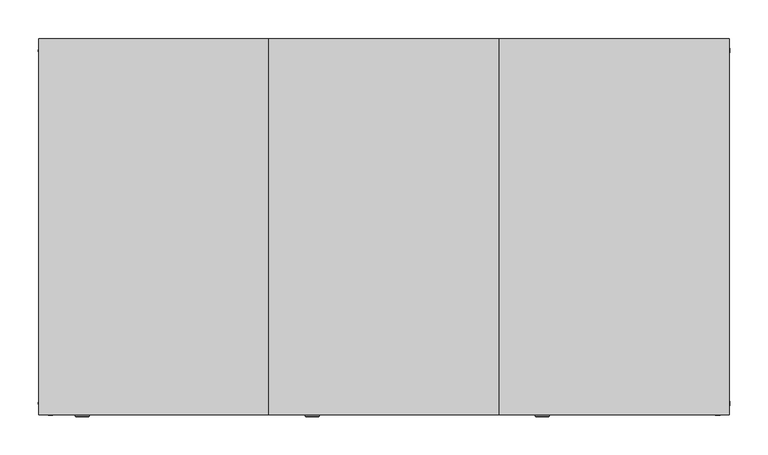
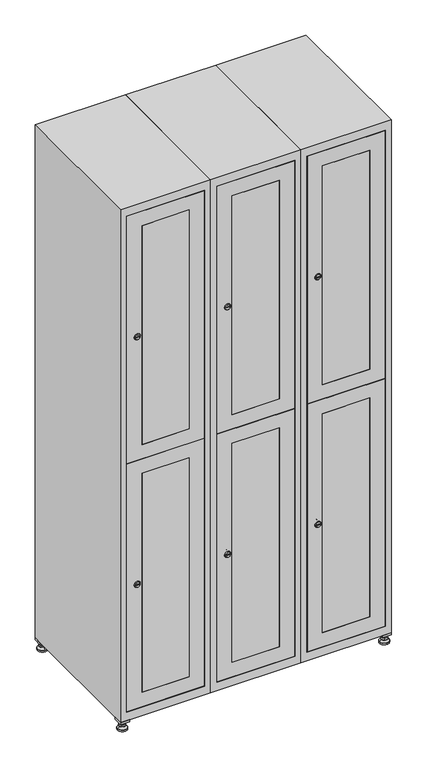
"""IFC4 building model written with IfcOpenShell, lengths in millimetres: furniture geometry."""

from ifc_helpers import new_model, si_unit, point, frame, frame_2d, origin, origin_with_axes, place, context, project, spatial, polyline, circle_curve, trimmed, segment, composite_curve, outline, extrude, faceted_brep, source, transform, mapped, element, save
from ifc_brep_helpers import plane_surface, revolved_surface, advanced_brep


def furniture_f250958e(model_context):
    return source(origin(), model_context, "Body", "SolidModel", [
        extrude(outline(polyline([(700.0, 245.0), (700.0, 215.0), (670.0, 215.0), (670.0, 245.0), (700.0, 245.0)]), holes=[polyline([(698.0, 243.0), (672.0, 243.0), (672.0, 217.0), (698.0, 217.0), (698.0, 243.0)])]), frame((0.0, 0.0, 28.5), z_axis=(0.0, 0.0, 1.0), x_axis=(1.0, 0.0, 0.0)), (0.0, 0.0, 1.0), 6.5),
        extrude(outline(polyline([(670.0, -245.0), (670.0, -215.0), (700.0, -215.0), (700.0, -245.0), (670.0, -245.0)]), holes=[polyline([(672.0, -243.0), (698.0, -243.0), (698.0, -217.0), (672.0, -217.0), (672.0, -243.0)])]), frame((0.0, 0.0, 28.5), z_axis=(0.0, 0.0, 1.0), x_axis=(1.0, 0.0, 0.0)), (0.0, 0.0, 1.0), 6.5),
        extrude(outline(polyline([(-170.0, 245.0), (-170.0, 215.0), (-200.0, 215.0), (-200.0, 245.0), (-170.0, 245.0)]), holes=[polyline([(-172.0, 243.0), (-198.0, 243.0), (-198.0, 217.0), (-172.0, 217.0), (-172.0, 243.0)])]), frame((0.0, 0.0, 28.5), z_axis=(0.0, 0.0, 1.0), x_axis=(1.0, 0.0, 0.0)), (0.0, 0.0, 1.0), 6.5),
        extrude(outline(polyline([(-170.0, -215.0), (-170.0, -245.0), (-200.0, -245.0), (-200.0, -215.0), (-170.0, -215.0)]), holes=[polyline([(-198.0, -243.0), (-172.0, -243.0), (-172.0, -217.0), (-198.0, -217.0), (-198.0, -243.0)])]), frame((0.0, 0.0, 28.5), z_axis=(0.0, 0.0, 1.0), x_axis=(1.0, 0.0, 0.0)), (0.0, 0.0, 1.0), 6.5),
        extrude(outline(composite_curve([segment(trimmed(circle_curve(frame_2d((-185.0, 230.0)), 5.0), [point((-180.0, 230.0))], [point((-190.0, 230.0))], False, "CARTESIAN"), True, "CONTINUOUS"), segment(trimmed(circle_curve(frame_2d((-185.0, 230.0)), 5.0), [point((-190.0, 230.0))], [point((-180.0, 230.0))], False, "CARTESIAN"), True, "CONTINUOUS")], self_intersect=False)), frame((0.0, 0.0, 19.6), z_axis=(0.0, 0.0, 1.0), x_axis=(1.0, 0.0, 0.0)), (0.0, 0.0, 1.0), 15.4),
        extrude(outline(composite_curve([segment(trimmed(circle_curve(frame_2d((-185.0, -230.0)), 5.0), [point((-180.0, -230.0))], [point((-190.0, -230.0))], False, "CARTESIAN"), True, "CONTINUOUS"), segment(trimmed(circle_curve(frame_2d((-185.0, -230.0)), 5.0), [point((-190.0, -230.0))], [point((-180.0, -230.0))], False, "CARTESIAN"), True, "CONTINUOUS")], self_intersect=False)), frame((0.0, 0.0, 19.6), z_axis=(0.0, 0.0, 1.0), x_axis=(1.0, 0.0, 0.0)), (0.0, 0.0, 1.0), 15.4),
        extrude(outline(composite_curve([segment(trimmed(circle_curve(frame_2d((685.0, 230.0)), 5.0), [point((690.0, 230.0))], [point((680.0, 230.0))], False, "CARTESIAN"), True, "CONTINUOUS"), segment(trimmed(circle_curve(frame_2d((685.0, 230.0)), 5.0), [point((680.0, 230.0))], [point((690.0, 230.0))], False, "CARTESIAN"), True, "CONTINUOUS")], self_intersect=False)), frame((0.0, 0.0, 19.6), z_axis=(0.0, 0.0, 1.0), x_axis=(1.0, 0.0, 0.0)), (0.0, 0.0, 1.0), 15.4),
        extrude(outline(polyline([(673.4529946, 230.0), (679.2264973, 240.0), (690.7735027, 240.0), (696.5470054, 230.0), (690.7735027, 220.0), (679.2264973, 220.0), (673.4529946, 230.0)])), frame((0.0, 0.0, 13.6), z_axis=(0.0, 0.0, 1.0), x_axis=(1.0, 0.0, 0.0)), (0.0, 0.0, 1.0), 6.0),
        extrude(outline(composite_curve([segment(trimmed(circle_curve(frame_2d((685.0, -230.0)), 5.0), [point((690.0, -230.0))], [point((680.0, -230.0))], False, "CARTESIAN"), True, "CONTINUOUS"), segment(trimmed(circle_curve(frame_2d((685.0, -230.0)), 5.0), [point((680.0, -230.0))], [point((690.0, -230.0))], False, "CARTESIAN"), True, "CONTINUOUS")], self_intersect=False)), frame((0.0, 0.0, 19.6), z_axis=(0.0, 0.0, 1.0), x_axis=(1.0, 0.0, 0.0)), (0.0, 0.0, 1.0), 15.4),
        extrude(outline(polyline([(673.4529946, -230.0), (679.2264973, -220.0), (690.7735027, -220.0), (696.5470054, -230.0), (690.7735027, -240.0), (679.2264973, -240.0), (673.4529946, -230.0)])), frame((0.0, 0.0, 13.6), z_axis=(0.0, 0.0, 1.0), x_axis=(1.0, 0.0, 0.0)), (0.0, 0.0, 1.0), 6.0),
        extrude(outline(composite_curve([segment(trimmed(circle_curve(frame_2d((685.0, 230.0)), 5.0), [point((690.0, 230.0))], [point((680.0, 230.0))], False, "CARTESIAN"), True, "CONTINUOUS"), segment(trimmed(circle_curve(frame_2d((685.0, 230.0)), 5.0), [point((680.0, 230.0))], [point((690.0, 230.0))], False, "CARTESIAN"), True, "CONTINUOUS")], self_intersect=False)), frame((0.0, 0.0, 12.1), z_axis=(0.0, 0.0, 1.0), x_axis=(1.0, 0.0, 0.0)), (0.0, 0.0, 1.0), 1.5),
        extrude(outline(composite_curve([segment(trimmed(circle_curve(frame_2d((685.0, -230.0)), 5.0), [point((690.0, -230.0))], [point((680.0, -230.0))], False, "CARTESIAN"), True, "CONTINUOUS"), segment(trimmed(circle_curve(frame_2d((685.0, -230.0)), 5.0), [point((680.0, -230.0))], [point((690.0, -230.0))], False, "CARTESIAN"), True, "CONTINUOUS")], self_intersect=False)), frame((0.0, 0.0, 12.1), z_axis=(0.0, 0.0, 1.0), x_axis=(1.0, 0.0, 0.0)), (0.0, 0.0, 1.0), 1.5),
        extrude(outline(polyline([(-196.5470054, 230.0), (-190.7735027, 240.0), (-179.2264973, 240.0), (-173.4529946, 230.0), (-179.2264973, 220.0), (-190.7735027, 220.0), (-196.5470054, 230.0)])), frame((0.0, 0.0, 13.6), z_axis=(0.0, 0.0, 1.0), x_axis=(1.0, 0.0, 0.0)), (0.0, 0.0, 1.0), 6.0),
        extrude(outline(polyline([(-196.5470054, -230.0), (-190.7735027, -220.0), (-179.2264973, -220.0), (-173.4529946, -230.0), (-179.2264973, -240.0), (-190.7735027, -240.0), (-196.5470054, -230.0)])), frame((0.0, 0.0, 13.6), z_axis=(0.0, 0.0, 1.0), x_axis=(1.0, 0.0, 0.0)), (0.0, 0.0, 1.0), 6.0),
        extrude(outline(composite_curve([segment(trimmed(circle_curve(frame_2d((-185.0, 230.0)), 5.0), [point((-185.0, 235.0))], [point((-185.0, 225.0))], False, "CARTESIAN"), True, "CONTINUOUS"), segment(trimmed(circle_curve(frame_2d((-185.0, 230.0)), 5.0), [point((-185.0, 225.0))], [point((-185.0, 235.0))], False, "CARTESIAN"), True, "CONTINUOUS")], self_intersect=False)), frame((0.0, 0.0, 12.1), z_axis=(0.0, 0.0, 1.0), x_axis=(1.0, 0.0, 0.0)), (0.0, 0.0, 1.0), 1.5),
        extrude(outline(composite_curve([segment(trimmed(circle_curve(frame_2d((-185.0, -230.0)), 5.0), [point((-180.0, -230.0))], [point((-190.0, -230.0))], False, "CARTESIAN"), True, "CONTINUOUS"), segment(trimmed(circle_curve(frame_2d((-185.0, -230.0)), 5.0), [point((-190.0, -230.0))], [point((-180.0, -230.0))], False, "CARTESIAN"), True, "CONTINUOUS")], self_intersect=False)), frame((0.0, 0.0, 12.1), z_axis=(0.0, 0.0, 1.0), x_axis=(1.0, 0.0, 0.0)), (0.0, 0.0, 1.0), 1.5),
        extrude(outline(composite_curve([segment(trimmed(circle_curve(frame_2d((685.0, 230.0)), 15.75), [point((700.75, 230.0))], [point((669.25, 230.0))], False, "CARTESIAN"), True, "CONTINUOUS"), segment(trimmed(circle_curve(frame_2d((685.0, 230.0)), 15.75), [point((669.25, 230.0))], [point((700.75, 230.0))], False, "CARTESIAN"), True, "CONTINUOUS")], self_intersect=False)), origin_with_axes(), (0.0, 0.0, 1.0), 5.1),
        extrude(outline(composite_curve([segment(trimmed(circle_curve(frame_2d((685.0, -230.0)), 15.75), [point((685.0, -214.25))], [point((685.0, -245.75))], False, "CARTESIAN"), True, "CONTINUOUS"), segment(trimmed(circle_curve(frame_2d((685.0, -230.0)), 15.75), [point((685.0, -245.75))], [point((685.0, -214.25))], False, "CARTESIAN"), True, "CONTINUOUS")], self_intersect=False)), origin_with_axes(), (0.0, 0.0, 1.0), 5.1),
        extrude(outline(composite_curve([segment(trimmed(circle_curve(frame_2d((-185.0, -230.0)), 15.75), [point((-169.25, -230.0))], [point((-200.75, -230.0))], False, "CARTESIAN"), True, "CONTINUOUS"), segment(trimmed(circle_curve(frame_2d((-185.0, -230.0)), 15.75), [point((-200.75, -230.0))], [point((-169.25, -230.0))], False, "CARTESIAN"), True, "CONTINUOUS")], self_intersect=False)), origin_with_axes(), (0.0, 0.0, 1.0), 5.1),
        extrude(outline(composite_curve([segment(trimmed(circle_curve(frame_2d((-185.0, 230.0)), 15.75), [point((-169.25, 230.0))], [point((-200.75, 230.0))], False, "CARTESIAN"), True, "CONTINUOUS"), segment(trimmed(circle_curve(frame_2d((-185.0, 230.0)), 15.75), [point((-200.75, 230.0))], [point((-169.25, 230.0))], False, "CARTESIAN"), True, "CONTINUOUS")], self_intersect=False)), origin_with_axes(), (0.0, 0.0, 1.0), 5.1),
        advanced_brep(
        [(-185.0, 245.75, 5.1), (-185.0, 214.25, 5.1), (-185.0, 239.5, 12.1), (-185.0, 220.5, 12.1)],
        [
            (0, 1, circle_curve(frame((-185.0, 230.0, 5.1), z_axis=(0.0, 0.0, -1.0), x_axis=(0.0, 1.0, 0.0)), 15.75)),
            (1, 0, circle_curve(frame((-185.0, 230.0, 5.1), z_axis=(0.0, 0.0, -1.0), x_axis=(0.0, -1.0, 0.0)), 15.75)),
            (2, 3, circle_curve(frame((-185.0, 230.0, 12.1), z_axis=(0.0, 0.0, 1.0), x_axis=(0.0, -1.0, 0.0)), 9.5)),
            (3, 2, circle_curve(frame((-185.0, 230.0, 12.1), z_axis=(0.0, 0.0, 1.0), x_axis=(0.0, 1.0, 0.0)), 9.5)),
            (3, 1),
            (0, 2),
        ],
        [
            plane_surface(frame((-185.0, 230.0, 5.1), z_axis=(0.0, 0.0, -1.0), x_axis=(1.0, 0.0, 0.0))),
            plane_surface(frame((-185.0, 230.0, 12.1), z_axis=(0.0, 0.0, 1.0), x_axis=(1.0, 0.0, 0.0))),
            revolved_surface(polyline([(-185.0, 220.5, 12.099999999999998), (-185.0, 214.25, 5.099999999999998)]), (-185.0, 230.0, 22.74), (0.0, 0.0, -1.0)),
            revolved_surface(polyline([(-185.0, 239.5, 12.099999999999998), (-185.0, 245.75, 5.099999999999998)]), (-185.0, 230.0, 22.74), (0.0, 0.0, -1.0)),
        ],
        [
            (0, [[1, 2]]),
            (1, [[3, 4]]),
            (2, [[-4, 5, -1, 6]]),
            (3, [[-3, -6, -2, -5]]),
        ],
    ),
        advanced_brep(
        [(685.0, 245.75, 5.1), (685.0, 214.25, 5.1), (685.0, 239.5, 12.1), (685.0, 220.5, 12.1)],
        [
            (0, 1, circle_curve(frame((685.0, 230.0, 5.1), z_axis=(0.0, 0.0, -1.0), x_axis=(0.0, 1.0, 0.0)), 15.75)),
            (1, 0, circle_curve(frame((685.0, 230.0, 5.1), z_axis=(0.0, 0.0, -1.0), x_axis=(0.0, -1.0, 0.0)), 15.75)),
            (2, 3, circle_curve(frame((685.0, 230.0, 12.1), z_axis=(0.0, 0.0, 1.0), x_axis=(0.0, -1.0, 0.0)), 9.5)),
            (3, 2, circle_curve(frame((685.0, 230.0, 12.1), z_axis=(0.0, 0.0, 1.0), x_axis=(0.0, 1.0, 0.0)), 9.5)),
            (3, 1),
            (0, 2),
        ],
        [
            plane_surface(frame((685.0, 230.0, 5.1), z_axis=(0.0, 0.0, -1.0), x_axis=(1.0, 0.0, 0.0))),
            plane_surface(frame((685.0, 230.0, 12.1), z_axis=(0.0, 0.0, 1.0), x_axis=(1.0, 0.0, 0.0))),
            revolved_surface(polyline([(685.0, 220.5, 12.099999999999998), (685.0, 214.25, 5.099999999999998)]), (685.0, 230.0, 22.74), (0.0, 0.0, -1.0)),
            revolved_surface(polyline([(685.0, 239.5, 12.099999999999998), (685.0, 245.75, 5.099999999999998)]), (685.0, 230.0, 22.74), (0.0, 0.0, -1.0)),
        ],
        [
            (0, [[1, 2]]),
            (1, [[3, 4]]),
            (2, [[-4, 5, -1, 6]]),
            (3, [[-3, -6, -2, -5]]),
        ],
    ),
        advanced_brep(
        [(694.5, -230.0, 12.1), (675.5, -230.0, 12.1), (700.75, -230.0, 5.1), (669.25, -230.0, 5.1)],
        [
            (0, 1, circle_curve(frame((685.0, -230.0, 12.1), z_axis=(0.0, 0.0, 1.0), x_axis=(1.0, 0.0, 0.0)), 9.5)),
            (1, 0, circle_curve(frame((685.0, -230.0, 12.1), z_axis=(0.0, 0.0, 1.0), x_axis=(-1.0, 0.0, 0.0)), 9.5)),
            (2, 3, circle_curve(frame((685.0, -230.0, 5.1), z_axis=(0.0, 0.0, -1.0), x_axis=(-1.0, 0.0, 0.0)), 15.75)),
            (3, 2, circle_curve(frame((685.0, -230.0, 5.1), z_axis=(0.0, 0.0, -1.0), x_axis=(1.0, 0.0, 0.0)), 15.75)),
            (3, 1),
            (0, 2),
        ],
        [
            plane_surface(frame((685.0, -230.0, 12.1), z_axis=(0.0, 0.0, 1.0), x_axis=(0.0, 1.0, 0.0))),
            plane_surface(frame((685.0, -230.0, 5.1), z_axis=(0.0, 0.0, -1.0), x_axis=(0.0, 1.0, 0.0))),
            revolved_surface(polyline([(694.5, -230.0, 12.099999999999998), (700.75, -230.0, 5.099999999999998)]), (685.0, -230.0, 22.74), (0.0, 0.0, -1.0)),
            revolved_surface(polyline([(675.5, -230.0, 12.099999999999998), (669.25, -230.0, 5.099999999999998)]), (685.0, -230.0, 22.74), (0.0, 0.0, -1.0)),
        ],
        [
            (0, [[1, 2]]),
            (1, [[3, 4]]),
            (2, [[-4, 5, -1, 6]]),
            (3, [[-3, -6, -2, -5]]),
        ],
    ),
        advanced_brep(
        [(-175.5, -230.0, 12.1), (-194.5, -230.0, 12.1), (-169.25, -230.0, 5.1), (-200.75, -230.0, 5.1)],
        [
            (0, 1, circle_curve(frame((-185.0, -230.0, 12.1), z_axis=(0.0, 0.0, 1.0), x_axis=(1.0, 0.0, 0.0)), 9.5)),
            (1, 0, circle_curve(frame((-185.0, -230.0, 12.1), z_axis=(0.0, 0.0, 1.0), x_axis=(-1.0, 0.0, 0.0)), 9.5)),
            (2, 3, circle_curve(frame((-185.0, -230.0, 5.1), z_axis=(0.0, 0.0, -1.0), x_axis=(-1.0, 0.0, 0.0)), 15.75)),
            (3, 2, circle_curve(frame((-185.0, -230.0, 5.1), z_axis=(0.0, 0.0, -1.0), x_axis=(1.0, 0.0, 0.0)), 15.75)),
            (3, 1),
            (0, 2),
        ],
        [
            plane_surface(frame((-185.0, -230.0, 12.1), z_axis=(0.0, 0.0, 1.0), x_axis=(0.0, 1.0, 0.0))),
            plane_surface(frame((-185.0, -230.0, 5.1), z_axis=(0.0, 0.0, -1.0), x_axis=(0.0, 1.0, 0.0))),
            revolved_surface(polyline([(-175.5, -230.0, 12.099999999999998), (-169.25, -230.0, 5.099999999999998)]), (-185.0, -230.0, 22.74), (0.0, 0.0, -1.0)),
            revolved_surface(polyline([(-194.5, -230.0, 12.099999999999998), (-200.75, -230.0, 5.099999999999998)]), (-185.0, -230.0, 22.74), (0.0, 0.0, -1.0)),
        ],
        [
            (0, [[1, 2]]),
            (1, [[3, 4]]),
            (2, [[-4, 5, -1, 6]]),
            (3, [[-3, -6, -2, -5]]),
        ],
    ),
        extrude(outline(composite_curve([segment(trimmed(circle_curve(frame_2d((1369.4, 429.6010534)), 7.0), [point((1376.4, 429.6010534))], [point((1362.4, 429.6010534))], False, "CARTESIAN"), True, "CONTINUOUS"), segment(polyline([(1362.4, 429.6010534), (1362.4, 457.6010534)]), True, "CONTINUOUS"), segment(trimmed(circle_curve(frame_2d((1369.4, 457.6010534)), 7.0), [point((1362.4, 457.6010534))], [point((1376.4, 457.6010534))], False, "CARTESIAN"), True, "CONTINUOUS"), segment(polyline([(1376.4, 457.6010534), (1376.4, 429.6010534)]), True, "CONTINUOUS")], self_intersect=False)), frame((0.0, -227.0, 0.0), z_axis=(0.0, 1.0, 0.0), x_axis=(0.0, 0.0, 1.0)), (0.0, 0.0, 1.0), 2.0),
        advanced_brep(
        [(464.9, -247.2, 1369.4), (447.9, -247.2, 1369.4), (451.4, -247.2, 1368.15), (451.4, -247.2, 1370.65), (461.4, -247.2, 1370.65), (461.4, -247.2, 1368.15), (466.9, -245.0, 1369.4), (445.9, -245.0, 1369.4), (451.4, -245.0, 1370.65), (451.4, -245.0, 1368.15), (461.4, -245.0, 1368.15), (461.4, -245.0, 1370.65)],
        [
            (0, 1, circle_curve(frame((456.4, -247.2, 1369.4), z_axis=(0.0, -1.0, 0.0), x_axis=(1.0, 0.0, 0.0)), 8.5)),
            (1, 0, circle_curve(frame((456.4, -247.2, 1369.4), z_axis=(0.0, -1.0, 0.0), x_axis=(-1.0, 0.0, 0.0)), 8.5)),
            (2, 3),
            (3, 4),
            (4, 5),
            (5, 2),
            (6, 7, circle_curve(frame((456.4, -245.0, 1369.4), z_axis=(0.0, 1.0, 0.0), x_axis=(-1.0, 0.0, 0.0)), 10.5)),
            (7, 6, circle_curve(frame((456.4, -245.0, 1369.4), z_axis=(0.0, 1.0, 0.0), x_axis=(1.0, 0.0, 0.0)), 10.5)),
            (8, 9),
            (9, 10),
            (10, 11),
            (11, 8),
            (0, 6),
            (7, 1),
            (8, 3),
            (2, 9),
            (11, 4),
            (10, 5),
        ],
        [
            plane_surface(frame((456.4, -247.2, 1369.4), z_axis=(0.0, -1.0, 0.0), x_axis=(0.0, 0.0, 1.0))),
            plane_surface(frame((456.4, -245.0, 1369.4), z_axis=(0.0, 1.0, 0.0), x_axis=(0.0, 0.0, 1.0))),
            revolved_surface(polyline([(464.9, -247.2, 1369.4), (466.9, -245.0, 1369.4)]), (456.4, -256.55, 1369.4), (0.0, 1.0, 0.0)),
            revolved_surface(polyline([(447.9, -247.2, 1369.4), (445.9, -245.0, 1369.4)]), (456.4, -256.55, 1369.4), (0.0, 1.0, 0.0)),
            plane_surface(frame((451.4, -245.0, 1368.15), z_axis=(1.0, 0.0, 0.0), x_axis=(0.0, -1.0, 0.0))),
            plane_surface(frame((451.4, -245.0, 1370.65), z_axis=(0.0, 0.0, -1.0), x_axis=(0.0, -1.0, 0.0))),
            plane_surface(frame((461.4, -245.0, 1370.65), z_axis=(-1.0, 0.0, 0.0), x_axis=(0.0, -1.0, 0.0))),
            plane_surface(frame((461.4, -245.0, 1368.15), z_axis=(0.0, 0.0, 1.0), x_axis=(0.0, -1.0, 0.0))),
        ],
        [
            (0, [[1, 2], [3, 4, 5, 6]]),
            (1, [[7, 8], [9, 10, 11, 12]]),
            (2, [[-1, 13, -8, 14]]),
            (3, [[-2, -14, -7, -13]]),
            (4, [[15, -3, 16, -9]]),
            (5, [[-15, -12, 17, -4]]),
            (6, [[-17, -11, 18, -5]]),
            (7, [[-16, -6, -18, -10]]),
        ],
    ),
        extrude(outline(composite_curve([segment(trimmed(circle_curve(frame_2d((500.6, 429.6010534)), 7.0), [point((507.6, 429.6010534))], [point((493.6, 429.6010534))], False, "CARTESIAN"), True, "CONTINUOUS"), segment(polyline([(493.6, 429.6010534), (493.6, 457.6010534)]), True, "CONTINUOUS"), segment(trimmed(circle_curve(frame_2d((500.6, 457.6010534)), 7.0), [point((493.6, 457.6010534))], [point((507.6, 457.6010534))], False, "CARTESIAN"), True, "CONTINUOUS"), segment(polyline([(507.6, 457.6010534), (507.6, 429.6010534)]), True, "CONTINUOUS")], self_intersect=False)), frame((0.0, -227.0, 0.0), z_axis=(0.0, 1.0, 0.0), x_axis=(0.0, 0.0, 1.0)), (0.0, 0.0, 1.0), 2.0),
        advanced_brep(
        [(464.9, -247.2, 500.6), (447.9, -247.2, 500.6), (451.4, -247.2, 499.35), (451.4, -247.2, 501.85), (461.4, -247.2, 501.85), (461.4, -247.2, 499.35), (466.9, -245.0, 500.6), (445.9, -245.0, 500.6), (451.4, -245.0, 501.85), (451.4, -245.0, 499.35), (461.4, -245.0, 499.35), (461.4, -245.0, 501.85)],
        [
            (0, 1, circle_curve(frame((456.4, -247.2, 500.6), z_axis=(0.0, -1.0, 0.0), x_axis=(1.0, 0.0, 0.0)), 8.5)),
            (1, 0, circle_curve(frame((456.4, -247.2, 500.6), z_axis=(0.0, -1.0, 0.0), x_axis=(-1.0, 0.0, 0.0)), 8.5)),
            (2, 3),
            (3, 4),
            (4, 5),
            (5, 2),
            (6, 7, circle_curve(frame((456.4, -245.0, 500.6), z_axis=(0.0, 1.0, 0.0), x_axis=(-1.0, 0.0, 0.0)), 10.5)),
            (7, 6, circle_curve(frame((456.4, -245.0, 500.6), z_axis=(0.0, 1.0, 0.0), x_axis=(1.0, 0.0, 0.0)), 10.5)),
            (8, 9),
            (9, 10),
            (10, 11),
            (11, 8),
            (0, 6),
            (7, 1),
            (8, 3),
            (2, 9),
            (11, 4),
            (10, 5),
        ],
        [
            plane_surface(frame((456.4, -247.2, 500.6), z_axis=(0.0, -1.0, 0.0), x_axis=(0.0, 0.0, 1.0))),
            plane_surface(frame((456.4, -245.0, 500.6), z_axis=(0.0, 1.0, 0.0), x_axis=(0.0, 0.0, 1.0))),
            revolved_surface(polyline([(464.9, -247.2, 500.6), (466.9, -245.0, 500.6)]), (456.4, -256.55, 500.6), (0.0, 1.0, 0.0)),
            revolved_surface(polyline([(447.9, -247.2, 500.6), (445.9, -245.0, 500.6)]), (456.4, -256.55, 500.6), (0.0, 1.0, 0.0)),
            plane_surface(frame((451.4, -245.0, 499.35), z_axis=(1.0, 0.0, 0.0), x_axis=(0.0, -1.0, 0.0))),
            plane_surface(frame((451.4, -245.0, 501.85), z_axis=(0.0, 0.0, -1.0), x_axis=(0.0, -1.0, 0.0))),
            plane_surface(frame((461.4, -245.0, 501.85), z_axis=(-1.0, 0.0, 0.0), x_axis=(0.0, -1.0, 0.0))),
            plane_surface(frame((461.4, -245.0, 499.35), z_axis=(0.0, 0.0, 1.0), x_axis=(0.0, -1.0, 0.0))),
        ],
        [
            (0, [[1, 2], [3, 4, 5, 6]]),
            (1, [[7, 8], [9, 10, 11, 12]]),
            (2, [[-1, 13, -8, 14]]),
            (3, [[-2, -14, -7, -13]]),
            (4, [[15, -3, 16, -9]]),
            (5, [[-15, -12, 17, -4]]),
            (6, [[-17, -11, 18, -5]]),
            (7, [[-16, -6, -18, -10]]),
        ],
    ),
        extrude(outline(polyline([(935.5, 678.6), (1803.8, 678.6), (1803.8, 421.4), (935.5, 421.4), (935.5, 678.6)]), holes=[polyline([(1753.8, 471.4), (1753.8, 628.6), (985.5, 628.6), (985.5, 471.4), (1753.8, 471.4)])]), frame((0.0, -245.0, 0.0), z_axis=(0.0, 1.0, 0.0), x_axis=(0.0, 0.0, 1.0)), (0.0, 0.0, 1.0), 18.0),
        extrude(outline(polyline([(934.5, 421.4), (66.2, 421.4), (66.2, 678.6), (934.5, 678.6), (934.5, 421.4)]), holes=[polyline([(116.2, 471.4), (884.5, 471.4), (884.5, 628.6), (116.2, 628.6), (116.2, 471.4)])]), frame((0.0, -245.0, 0.0), z_axis=(0.0, 1.0, 0.0), x_axis=(0.0, 0.0, 1.0)), (0.0, 0.0, 1.0), 18.0),
        extrude(outline(polyline([(628.6, -245.0), (471.4, -245.0), (471.4, -227.0), (628.6, -227.0), (628.6, -245.0)])), frame((0.0, 0.0, 985.5), z_axis=(0.0, 0.0, 1.0), x_axis=(1.0, 0.0, 0.0)), (0.0, 0.0, 1.0), 768.3),
        extrude(outline(polyline([(628.6, -245.0), (471.4, -245.0), (471.4, -227.0), (628.6, -227.0), (628.6, -245.0)])), frame((0.0, 0.0, 116.2), z_axis=(0.0, 0.0, 1.0), x_axis=(1.0, 0.0, 0.0)), (0.0, 0.0, 1.0), 768.3),
        extrude(outline(polyline([(679.6, 242.0), (679.6, -227.0), (420.4, -227.0), (420.4, 242.0), (679.6, 242.0)])), frame((0.0, 0.0, 924.8), z_axis=(0.0, 0.0, 1.0), x_axis=(1.0, 0.0, 0.0)), (0.0, 0.0, 1.0), 20.4),
        faceted_brep([(700.0, -245.0, 35.0), (700.0, -245.0, 1835.0), (400.0, -245.0, 1835.0), (400.0, -245.0, 35.0), (679.6, -245.0, 1804.8), (679.6, -245.0, 65.2), (420.4, -245.0, 65.2), (420.4, -245.0, 1804.8), (700.0, 245.0, 35.0), (400.0, 245.0, 35.0), (700.0, 245.0, 1835.0), (400.0, 245.0, 1835.0), (679.6, 242.0, 1804.8), (679.6, 242.0, 65.2), (400.0, 245.0, 1804.8), (420.4, 242.0, 1804.8), (420.4, 242.0, 65.2)], [[[0, 1, 2, 3], [4, 5, 6, 7]], [[8, 0, 3, 9]], [[1, 0, 8, 10]], [[1, 10, 11, 2]], [[4, 12, 13, 5]], [[9, 3, 2, 11, 14]], [[10, 8, 9, 14, 11]], [[12, 15, 16, 13]], [[15, 7, 6, 16]], [[4, 7, 15, 12]], [[6, 5, 13, 16]]]),
        extrude(outline(composite_curve([segment(trimmed(circle_curve(frame_2d((1369.4, 129.6010534)), 7.0), [point((1376.4, 129.6010534))], [point((1362.4, 129.6010534))], False, "CARTESIAN"), True, "CONTINUOUS"), segment(polyline([(1362.4, 129.6010534), (1362.4, 157.6010534)]), True, "CONTINUOUS"), segment(trimmed(circle_curve(frame_2d((1369.4, 157.6010534)), 7.0), [point((1362.4, 157.6010534))], [point((1376.4, 157.6010534))], False, "CARTESIAN"), True, "CONTINUOUS"), segment(polyline([(1376.4, 157.6010534), (1376.4, 129.6010534)]), True, "CONTINUOUS")], self_intersect=False)), frame((0.0, -227.0, 0.0), z_axis=(0.0, 1.0, 0.0), x_axis=(0.0, 0.0, 1.0)), (0.0, 0.0, 1.0), 2.0),
        advanced_brep(
        [(164.9, -247.2, 1369.4), (147.9, -247.2, 1369.4), (151.4, -247.2, 1368.15), (151.4, -247.2, 1370.65), (161.4, -247.2, 1370.65), (161.4, -247.2, 1368.15), (166.9, -245.0, 1369.4), (145.9, -245.0, 1369.4), (151.4, -245.0, 1370.65), (151.4, -245.0, 1368.15), (161.4, -245.0, 1368.15), (161.4, -245.0, 1370.65)],
        [
            (0, 1, circle_curve(frame((156.4, -247.2, 1369.4), z_axis=(0.0, -1.0, 0.0), x_axis=(1.0, 0.0, 0.0)), 8.5)),
            (1, 0, circle_curve(frame((156.4, -247.2, 1369.4), z_axis=(0.0, -1.0, 0.0), x_axis=(-1.0, 0.0, 0.0)), 8.5)),
            (2, 3),
            (3, 4),
            (4, 5),
            (5, 2),
            (6, 7, circle_curve(frame((156.4, -245.0, 1369.4), z_axis=(0.0, 1.0, 0.0), x_axis=(-1.0, 0.0, 0.0)), 10.5)),
            (7, 6, circle_curve(frame((156.4, -245.0, 1369.4), z_axis=(0.0, 1.0, 0.0), x_axis=(1.0, 0.0, 0.0)), 10.5)),
            (8, 9),
            (9, 10),
            (10, 11),
            (11, 8),
            (0, 6),
            (7, 1),
            (8, 3),
            (2, 9),
            (11, 4),
            (10, 5),
        ],
        [
            plane_surface(frame((156.4, -247.2, 1369.4), z_axis=(0.0, -1.0, 0.0), x_axis=(0.0, 0.0, 1.0))),
            plane_surface(frame((156.4, -245.0, 1369.4), z_axis=(0.0, 1.0, 0.0), x_axis=(0.0, 0.0, 1.0))),
            revolved_surface(polyline([(164.9, -247.2, 1369.4), (166.9, -245.0, 1369.4)]), (156.4, -256.55, 1369.4), (0.0, 1.0, 0.0)),
            revolved_surface(polyline([(147.9, -247.2, 1369.4), (145.9, -245.0, 1369.4)]), (156.4, -256.55, 1369.4), (0.0, 1.0, 0.0)),
            plane_surface(frame((151.4, -245.0, 1368.15), z_axis=(1.0, 0.0, 0.0), x_axis=(0.0, -1.0, 0.0))),
            plane_surface(frame((151.4, -245.0, 1370.65), z_axis=(0.0, 0.0, -1.0), x_axis=(0.0, -1.0, 0.0))),
            plane_surface(frame((161.4, -245.0, 1370.65), z_axis=(-1.0, 0.0, 0.0), x_axis=(0.0, -1.0, 0.0))),
            plane_surface(frame((161.4, -245.0, 1368.15), z_axis=(0.0, 0.0, 1.0), x_axis=(0.0, -1.0, 0.0))),
        ],
        [
            (0, [[1, 2], [3, 4, 5, 6]]),
            (1, [[7, 8], [9, 10, 11, 12]]),
            (2, [[-1, 13, -8, 14]]),
            (3, [[-2, -14, -7, -13]]),
            (4, [[15, -3, 16, -9]]),
            (5, [[-15, -12, 17, -4]]),
            (6, [[-17, -11, 18, -5]]),
            (7, [[-16, -6, -18, -10]]),
        ],
    ),
        extrude(outline(composite_curve([segment(trimmed(circle_curve(frame_2d((500.6, 129.6010534)), 7.0), [point((507.6, 129.6010534))], [point((493.6, 129.6010534))], False, "CARTESIAN"), True, "CONTINUOUS"), segment(polyline([(493.6, 129.6010534), (493.6, 157.6010534)]), True, "CONTINUOUS"), segment(trimmed(circle_curve(frame_2d((500.6, 157.6010534)), 7.0), [point((493.6, 157.6010534))], [point((507.6, 157.6010534))], False, "CARTESIAN"), True, "CONTINUOUS"), segment(polyline([(507.6, 157.6010534), (507.6, 129.6010534)]), True, "CONTINUOUS")], self_intersect=False)), frame((0.0, -227.0, 0.0), z_axis=(0.0, 1.0, 0.0), x_axis=(0.0, 0.0, 1.0)), (0.0, 0.0, 1.0), 2.0),
        advanced_brep(
        [(164.9, -247.2, 500.6), (147.9, -247.2, 500.6), (151.4, -247.2, 499.35), (151.4, -247.2, 501.85), (161.4, -247.2, 501.85), (161.4, -247.2, 499.35), (166.9, -245.0, 500.6), (145.9, -245.0, 500.6), (151.4, -245.0, 501.85), (151.4, -245.0, 499.35), (161.4, -245.0, 499.35), (161.4, -245.0, 501.85)],
        [
            (0, 1, circle_curve(frame((156.4, -247.2, 500.6), z_axis=(0.0, -1.0, 0.0), x_axis=(1.0, 0.0, 0.0)), 8.5)),
            (1, 0, circle_curve(frame((156.4, -247.2, 500.6), z_axis=(0.0, -1.0, 0.0), x_axis=(-1.0, 0.0, 0.0)), 8.5)),
            (2, 3),
            (3, 4),
            (4, 5),
            (5, 2),
            (6, 7, circle_curve(frame((156.4, -245.0, 500.6), z_axis=(0.0, 1.0, 0.0), x_axis=(-1.0, 0.0, 0.0)), 10.5)),
            (7, 6, circle_curve(frame((156.4, -245.0, 500.6), z_axis=(0.0, 1.0, 0.0), x_axis=(1.0, 0.0, 0.0)), 10.5)),
            (8, 9),
            (9, 10),
            (10, 11),
            (11, 8),
            (0, 6),
            (7, 1),
            (8, 3),
            (2, 9),
            (11, 4),
            (10, 5),
        ],
        [
            plane_surface(frame((156.4, -247.2, 500.6), z_axis=(0.0, -1.0, 0.0), x_axis=(0.0, 0.0, 1.0))),
            plane_surface(frame((156.4, -245.0, 500.6), z_axis=(0.0, 1.0, 0.0), x_axis=(0.0, 0.0, 1.0))),
            revolved_surface(polyline([(164.9, -247.2, 500.6), (166.9, -245.0, 500.6)]), (156.4, -256.55, 500.6), (0.0, 1.0, 0.0)),
            revolved_surface(polyline([(147.9, -247.2, 500.6), (145.9, -245.0, 500.6)]), (156.4, -256.55, 500.6), (0.0, 1.0, 0.0)),
            plane_surface(frame((151.4, -245.0, 499.35), z_axis=(1.0, 0.0, 0.0), x_axis=(0.0, -1.0, 0.0))),
            plane_surface(frame((151.4, -245.0, 501.85), z_axis=(0.0, 0.0, -1.0), x_axis=(0.0, -1.0, 0.0))),
            plane_surface(frame((161.4, -245.0, 501.85), z_axis=(-1.0, 0.0, 0.0), x_axis=(0.0, -1.0, 0.0))),
            plane_surface(frame((161.4, -245.0, 499.35), z_axis=(0.0, 0.0, 1.0), x_axis=(0.0, -1.0, 0.0))),
        ],
        [
            (0, [[1, 2], [3, 4, 5, 6]]),
            (1, [[7, 8], [9, 10, 11, 12]]),
            (2, [[-1, 13, -8, 14]]),
            (3, [[-2, -14, -7, -13]]),
            (4, [[15, -3, 16, -9]]),
            (5, [[-15, -12, 17, -4]]),
            (6, [[-17, -11, 18, -5]]),
            (7, [[-16, -6, -18, -10]]),
        ],
    ),
        extrude(outline(polyline([(935.5, 378.6), (1803.8, 378.6), (1803.8, 121.4), (935.5, 121.4), (935.5, 378.6)]), holes=[polyline([(1753.8, 171.4), (1753.8, 328.6), (985.5, 328.6), (985.5, 171.4), (1753.8, 171.4)])]), frame((0.0, -245.0, 0.0), z_axis=(0.0, 1.0, 0.0), x_axis=(0.0, 0.0, 1.0)), (0.0, 0.0, 1.0), 18.0),
        extrude(outline(polyline([(934.5, 121.4), (66.2, 121.4), (66.2, 378.6), (934.5, 378.6), (934.5, 121.4)]), holes=[polyline([(116.2, 171.4), (884.5, 171.4), (884.5, 328.6), (116.2, 328.6), (116.2, 171.4)])]), frame((0.0, -245.0, 0.0), z_axis=(0.0, 1.0, 0.0), x_axis=(0.0, 0.0, 1.0)), (0.0, 0.0, 1.0), 18.0),
        extrude(outline(polyline([(328.6, -245.0), (171.4, -245.0), (171.4, -227.0), (328.6, -227.0), (328.6, -245.0)])), frame((0.0, 0.0, 985.5), z_axis=(0.0, 0.0, 1.0), x_axis=(1.0, 0.0, 0.0)), (0.0, 0.0, 1.0), 768.3),
        extrude(outline(polyline([(328.6, -245.0), (171.4, -245.0), (171.4, -227.0), (328.6, -227.0), (328.6, -245.0)])), frame((0.0, 0.0, 116.2), z_axis=(0.0, 0.0, 1.0), x_axis=(1.0, 0.0, 0.0)), (0.0, 0.0, 1.0), 768.3),
        extrude(outline(polyline([(379.6, 242.0), (379.6, -227.0), (120.4, -227.0), (120.4, 242.0), (379.6, 242.0)])), frame((0.0, 0.0, 924.8), z_axis=(0.0, 0.0, 1.0), x_axis=(1.0, 0.0, 0.0)), (0.0, 0.0, 1.0), 20.4),
        faceted_brep([(400.0, -245.0, 35.0), (400.0, -245.0, 1835.0), (100.0, -245.0, 1835.0), (100.0, -245.0, 35.0), (379.6, -245.0, 1804.8), (379.6, -245.0, 65.2), (120.4, -245.0, 65.2), (120.4, -245.0, 1804.8), (400.0, 245.0, 35.0), (100.0, 245.0, 35.0), (400.0, 245.0, 1835.0), (100.0, 245.0, 1835.0), (379.6, 242.0, 1804.8), (379.6, 242.0, 65.2), (100.0, 245.0, 1804.8), (120.4, 242.0, 1804.8), (120.4, 242.0, 65.2)], [[[0, 1, 2, 3], [4, 5, 6, 7]], [[8, 0, 3, 9]], [[1, 0, 8, 10]], [[1, 10, 11, 2]], [[4, 12, 13, 5]], [[9, 3, 2, 11, 14]], [[10, 8, 9, 14, 11]], [[12, 15, 16, 13]], [[15, 7, 6, 16]], [[4, 7, 15, 12]], [[6, 5, 13, 16]]]),
        extrude(outline(composite_curve([segment(trimmed(circle_curve(frame_2d((1369.4, -170.3989466)), 7.0), [point((1376.4, -170.3989466))], [point((1362.4, -170.3989466))], False, "CARTESIAN"), True, "CONTINUOUS"), segment(polyline([(1362.4, -170.3989466), (1362.4, -142.3989466)]), True, "CONTINUOUS"), segment(trimmed(circle_curve(frame_2d((1369.4, -142.3989466)), 7.0), [point((1362.4, -142.3989466))], [point((1376.4, -142.3989466))], False, "CARTESIAN"), True, "CONTINUOUS"), segment(polyline([(1376.4, -142.3989466), (1376.4, -170.3989466)]), True, "CONTINUOUS")], self_intersect=False)), frame((0.0, -227.0, 0.0), z_axis=(0.0, 1.0, 0.0), x_axis=(0.0, 0.0, 1.0)), (0.0, 0.0, 1.0), 2.0),
        advanced_brep(
        [(-135.1, -247.2, 1369.4), (-152.1, -247.2, 1369.4), (-148.6, -247.2, 1368.15), (-148.6, -247.2, 1370.65), (-138.6, -247.2, 1370.65), (-138.6, -247.2, 1368.15), (-133.1, -245.0, 1369.4), (-154.1, -245.0, 1369.4), (-148.6, -245.0, 1370.65), (-148.6, -245.0, 1368.15), (-138.6, -245.0, 1368.15), (-138.6, -245.0, 1370.65)],
        [
            (0, 1, circle_curve(frame((-143.6, -247.2, 1369.4), z_axis=(0.0, -1.0, 0.0), x_axis=(1.0, 0.0, 0.0)), 8.5)),
            (1, 0, circle_curve(frame((-143.6, -247.2, 1369.4), z_axis=(0.0, -1.0, 0.0), x_axis=(-1.0, 0.0, 0.0)), 8.5)),
            (2, 3),
            (3, 4),
            (4, 5),
            (5, 2),
            (6, 7, circle_curve(frame((-143.6, -245.0, 1369.4), z_axis=(0.0, 1.0, 0.0), x_axis=(-1.0, 0.0, 0.0)), 10.5)),
            (7, 6, circle_curve(frame((-143.6, -245.0, 1369.4), z_axis=(0.0, 1.0, 0.0), x_axis=(1.0, 0.0, 0.0)), 10.5)),
            (8, 9),
            (9, 10),
            (10, 11),
            (11, 8),
            (0, 6),
            (7, 1),
            (8, 3),
            (2, 9),
            (11, 4),
            (10, 5),
        ],
        [
            plane_surface(frame((-143.6, -247.2, 1369.4), z_axis=(0.0, -1.0, 0.0), x_axis=(0.0, 0.0, 1.0))),
            plane_surface(frame((-143.6, -245.0, 1369.4), z_axis=(0.0, 1.0, 0.0), x_axis=(0.0, 0.0, 1.0))),
            revolved_surface(polyline([(-135.1, -247.2, 1369.4), (-133.1, -245.0, 1369.4)]), (-143.6, -256.55, 1369.4), (0.0, 1.0, 0.0)),
            revolved_surface(polyline([(-152.1, -247.2, 1369.4), (-154.1, -245.0, 1369.4)]), (-143.6, -256.55, 1369.4), (0.0, 1.0, 0.0)),
            plane_surface(frame((-148.6, -245.0, 1368.15), z_axis=(1.0, 0.0, 0.0), x_axis=(0.0, -1.0, 0.0))),
            plane_surface(frame((-148.6, -245.0, 1370.65), z_axis=(0.0, 0.0, -1.0), x_axis=(0.0, -1.0, 0.0))),
            plane_surface(frame((-138.6, -245.0, 1370.65), z_axis=(-1.0, 0.0, 0.0), x_axis=(0.0, -1.0, 0.0))),
            plane_surface(frame((-138.6, -245.0, 1368.15), z_axis=(0.0, 0.0, 1.0), x_axis=(0.0, -1.0, 0.0))),
        ],
        [
            (0, [[1, 2], [3, 4, 5, 6]]),
            (1, [[7, 8], [9, 10, 11, 12]]),
            (2, [[-1, 13, -8, 14]]),
            (3, [[-2, -14, -7, -13]]),
            (4, [[15, -3, 16, -9]]),
            (5, [[-15, -12, 17, -4]]),
            (6, [[-17, -11, 18, -5]]),
            (7, [[-16, -6, -18, -10]]),
        ],
    ),
        extrude(outline(composite_curve([segment(trimmed(circle_curve(frame_2d((500.6, -170.3989466)), 7.0), [point((507.6, -170.3989466))], [point((493.6, -170.3989466))], False, "CARTESIAN"), True, "CONTINUOUS"), segment(polyline([(493.6, -170.3989466), (493.6, -142.3989466)]), True, "CONTINUOUS"), segment(trimmed(circle_curve(frame_2d((500.6, -142.3989466)), 7.0), [point((493.6, -142.3989466))], [point((507.6, -142.3989466))], False, "CARTESIAN"), True, "CONTINUOUS"), segment(polyline([(507.6, -142.3989466), (507.6, -170.3989466)]), True, "CONTINUOUS")], self_intersect=False)), frame((0.0, -227.0, 0.0), z_axis=(0.0, 1.0, 0.0), x_axis=(0.0, 0.0, 1.0)), (0.0, 0.0, 1.0), 2.0),
        advanced_brep(
        [(-135.1, -247.2, 500.6), (-152.1, -247.2, 500.6), (-148.6, -247.2, 499.35), (-148.6, -247.2, 501.85), (-138.6, -247.2, 501.85), (-138.6, -247.2, 499.35), (-133.1, -245.0, 500.6), (-154.1, -245.0, 500.6), (-148.6, -245.0, 501.85), (-148.6, -245.0, 499.35), (-138.6, -245.0, 499.35), (-138.6, -245.0, 501.85)],
        [
            (0, 1, circle_curve(frame((-143.6, -247.2, 500.6), z_axis=(0.0, -1.0, 0.0), x_axis=(1.0, 0.0, 0.0)), 8.5)),
            (1, 0, circle_curve(frame((-143.6, -247.2, 500.6), z_axis=(0.0, -1.0, 0.0), x_axis=(-1.0, 0.0, 0.0)), 8.5)),
            (2, 3),
            (3, 4),
            (4, 5),
            (5, 2),
            (6, 7, circle_curve(frame((-143.6, -245.0, 500.6), z_axis=(0.0, 1.0, 0.0), x_axis=(-1.0, 0.0, 0.0)), 10.5)),
            (7, 6, circle_curve(frame((-143.6, -245.0, 500.6), z_axis=(0.0, 1.0, 0.0), x_axis=(1.0, 0.0, 0.0)), 10.5)),
            (8, 9),
            (9, 10),
            (10, 11),
            (11, 8),
            (0, 6),
            (7, 1),
            (8, 3),
            (2, 9),
            (11, 4),
            (10, 5),
        ],
        [
            plane_surface(frame((-143.6, -247.2, 500.6), z_axis=(0.0, -1.0, 0.0), x_axis=(0.0, 0.0, 1.0))),
            plane_surface(frame((-143.6, -245.0, 500.6), z_axis=(0.0, 1.0, 0.0), x_axis=(0.0, 0.0, 1.0))),
            revolved_surface(polyline([(-135.1, -247.2, 500.6), (-133.1, -245.0, 500.6)]), (-143.6, -256.55, 500.6), (0.0, 1.0, 0.0)),
            revolved_surface(polyline([(-152.1, -247.2, 500.6), (-154.1, -245.0, 500.6)]), (-143.6, -256.55, 500.6), (0.0, 1.0, 0.0)),
            plane_surface(frame((-148.6, -245.0, 499.35), z_axis=(1.0, 0.0, 0.0), x_axis=(0.0, -1.0, 0.0))),
            plane_surface(frame((-148.6, -245.0, 501.85), z_axis=(0.0, 0.0, -1.0), x_axis=(0.0, -1.0, 0.0))),
            plane_surface(frame((-138.6, -245.0, 501.85), z_axis=(-1.0, 0.0, 0.0), x_axis=(0.0, -1.0, 0.0))),
            plane_surface(frame((-138.6, -245.0, 499.35), z_axis=(0.0, 0.0, 1.0), x_axis=(0.0, -1.0, 0.0))),
        ],
        [
            (0, [[1, 2], [3, 4, 5, 6]]),
            (1, [[7, 8], [9, 10, 11, 12]]),
            (2, [[-1, 13, -8, 14]]),
            (3, [[-2, -14, -7, -13]]),
            (4, [[15, -3, 16, -9]]),
            (5, [[-15, -12, 17, -4]]),
            (6, [[-17, -11, 18, -5]]),
            (7, [[-16, -6, -18, -10]]),
        ],
    ),
        extrude(outline(polyline([(935.5, 78.6), (1803.8, 78.6), (1803.8, -178.6), (935.5, -178.6), (935.5, 78.6)]), holes=[polyline([(1753.8, -128.6), (1753.8, 28.6), (985.5, 28.6), (985.5, -128.6), (1753.8, -128.6)])]), frame((0.0, -245.0, 0.0), z_axis=(0.0, 1.0, 0.0), x_axis=(0.0, 0.0, 1.0)), (0.0, 0.0, 1.0), 18.0),
        extrude(outline(polyline([(934.5, -178.6), (66.2, -178.6), (66.2, 78.6), (934.5, 78.6), (934.5, -178.6)]), holes=[polyline([(116.2, -128.6), (884.5, -128.6), (884.5, 28.6), (116.2, 28.6), (116.2, -128.6)])]), frame((0.0, -245.0, 0.0), z_axis=(0.0, 1.0, 0.0), x_axis=(0.0, 0.0, 1.0)), (0.0, 0.0, 1.0), 18.0),
        extrude(outline(polyline([(28.6, -245.0), (-128.6, -245.0), (-128.6, -227.0), (28.6, -227.0), (28.6, -245.0)])), frame((0.0, 0.0, 985.5), z_axis=(0.0, 0.0, 1.0), x_axis=(1.0, 0.0, 0.0)), (0.0, 0.0, 1.0), 768.3),
        extrude(outline(polyline([(28.6, -245.0), (-128.6, -245.0), (-128.6, -227.0), (28.6, -227.0), (28.6, -245.0)])), frame((0.0, 0.0, 116.2), z_axis=(0.0, 0.0, 1.0), x_axis=(1.0, 0.0, 0.0)), (0.0, 0.0, 1.0), 768.3),
        extrude(outline(polyline([(79.6, 242.0), (79.6, -227.0), (-179.6, -227.0), (-179.6, 242.0), (79.6, 242.0)])), frame((0.0, 0.0, 924.8), z_axis=(0.0, 0.0, 1.0), x_axis=(1.0, 0.0, 0.0)), (0.0, 0.0, 1.0), 20.4),
        faceted_brep([(100.0, -245.0, 35.0), (100.0, -245.0, 1835.0), (-200.0, -245.0, 1835.0), (-200.0, -245.0, 35.0), (79.6, -245.0, 1804.8), (79.6, -245.0, 65.2), (-179.6, -245.0, 65.2), (-179.6, -245.0, 1804.8), (100.0, 245.0, 35.0), (-200.0, 245.0, 35.0), (100.0, 245.0, 1835.0), (-200.0, 245.0, 1835.0), (79.6, 242.0, 1804.8), (79.6, 242.0, 65.2), (-200.0, 245.0, 1804.8), (-179.6, 242.0, 1804.8), (-179.6, 242.0, 65.2)], [[[0, 1, 2, 3], [4, 5, 6, 7]], [[8, 0, 3, 9]], [[1, 0, 8, 10]], [[1, 10, 11, 2]], [[4, 12, 13, 5]], [[9, 3, 2, 11, 14]], [[10, 8, 9, 14, 11]], [[12, 15, 16, 13]], [[15, 7, 6, 16]], [[4, 7, 15, 12]], [[6, 5, 13, 16]]]),
    ])


if __name__ == "__main__":
    model = new_model("IFC4")
    model_context = context("Model", 3, world=origin())
    ifc_project = project(units=[si_unit("LENGTHUNIT", "METRE", prefix="MILLI")], contexts=[model_context])
    site = spatial("IfcSite", under=ifc_project)
    building = spatial("IfcBuilding", under=site)
    placement = place(None, origin())
    furniture_shape = furniture_f250958e(model_context)
    element("IfcFurniture", 1, at=placement, inside=building, context=model_context, shape_type="MappedRepresentation", body=[
        mapped(furniture_shape, transform((0.0, 0.0, 0.0), x_axis=(1.0, 0.0, 0.0), y_axis=(0.0, 1.0, 0.0), z_axis=(0.0, 0.0, 1.0))),
    ])
    save(model, "model.ifc")
